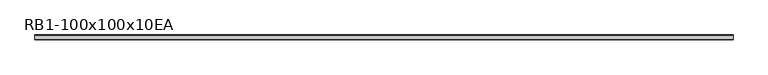
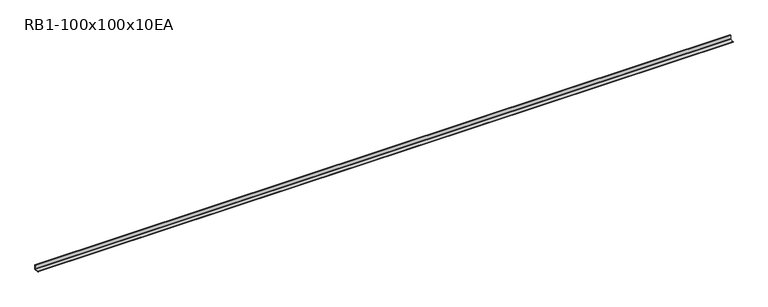
"""IFC4 building model written with IfcOpenShell, lengths in millimetres: member geometry, RB1-100x100x10EA."""

from ifc_helpers import new_model, si_unit, point, frame, frame_2d, origin, place, context, project, spatial, polyline, circle_curve, trimmed, segment, composite_curve, outline, extrude, source, transform, mapped, element, save


def rb1_100x100x10ea_7857293a(model_context):
    return source(origin(), model_context, "Body", "SweptSolid", [
        extrude(outline(composite_curve([segment(polyline([(28.2, -28.2), (-71.8, -28.2), (-71.8, -23.2)]), True, "CONTINUOUS"), segment(trimmed(circle_curve(frame_2d((-66.8, -23.2)), 5.0), [point((-71.8, -23.2))], [point((-66.8, -18.2))], False, "CARTESIAN"), True, "CONTINUOUS"), segment(polyline([(-66.8, -18.2), (10.2, -18.2)]), True, "CONTINUOUS"), segment(trimmed(circle_curve(frame_2d((10.2, -10.2)), 8.0), [point((10.2, -18.2))], [point((18.2, -10.2))], True, "CARTESIAN"), True, "CONTINUOUS"), segment(polyline([(18.2, -10.2), (18.2, 66.8)]), True, "CONTINUOUS"), segment(trimmed(circle_curve(frame_2d((23.2, 66.8)), 5.0), [point((18.2, 66.8))], [point((23.2, 71.8))], False, "CARTESIAN"), True, "CONTINUOUS"), segment(polyline([(23.2, 71.8), (28.2, 71.8), (28.2, -28.2)]), True, "CONTINUOUS")], self_intersect=False)), frame((-7261.0, 0.0, 0.0), z_axis=(1.0, 0.0, 0.0), x_axis=(0.0, 1.0, 0.0)), (0.0, 0.0, 1.0), 14541.0),
    ])


if __name__ == "__main__":
    model = new_model("IFC4")
    model_context = context("Model", 3, world=origin())
    ifc_project = project(units=[si_unit("LENGTHUNIT", "METRE", prefix="MILLI")], contexts=[model_context])
    site = spatial("IfcSite", under=ifc_project)
    building = spatial("IfcBuilding", under=site)
    placement = place(None, origin())
    rb1_100x100x10ea_shape = rb1_100x100x10ea_7857293a(model_context)
    element("IfcMember", 1, ObjectType="RB1-100x100x10EA", at=placement, inside=building, context=model_context, shape_type="MappedRepresentation", body=[
        mapped(rb1_100x100x10ea_shape, transform((0.0, 0.0, 0.0), x_axis=(1.0, 0.0, 0.0), y_axis=(0.0, 1.0, 0.0), z_axis=(0.0, 0.0, 1.0))),
    ])
    save(model, "model.ifc")
